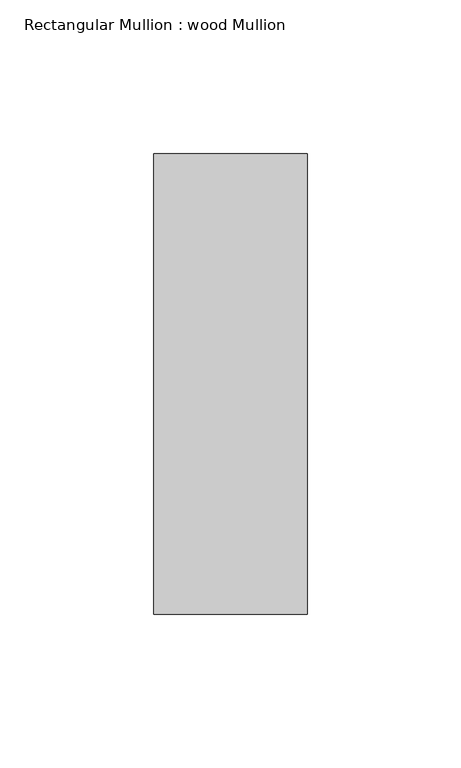
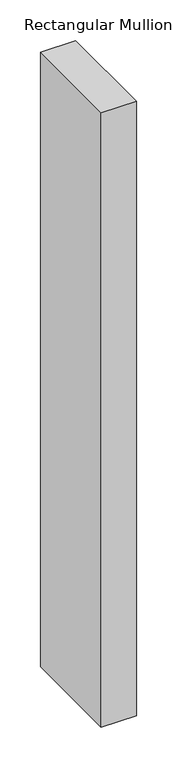
"""IFC4 building model written with IfcOpenShell, lengths in millimetres: member geometry, Rectangular Mullion : wood Mullion."""

from ifc_helpers import new_model, si_unit, frame, origin, place, context, project, spatial, polyline, outline, extrude, source, transform, mapped, element, save


def rectangular_mullion_wood_mullion_116cff39(model_context):
    return source(origin(), model_context, "Body", "SweptSolid", [
        extrude(outline(polyline([(25.0, 75.0), (25.0, -75.0), (-25.0, -75.0), (-25.0, 75.0), (25.0, 75.0)])), frame((0.0, 0.0, -925.0), z_axis=(0.0, 0.0, 1.0), x_axis=(1.0, 0.0, 0.0)), (0.0, 0.0, 1.0), 925.0),
    ])


if __name__ == "__main__":
    model = new_model("IFC4")
    model_context = context("Model", 3, world=origin())
    ifc_project = project(units=[si_unit("LENGTHUNIT", "METRE", prefix="MILLI")], contexts=[model_context])
    site = spatial("IfcSite", under=ifc_project)
    building = spatial("IfcBuilding", under=site)
    placement = place(None, origin())
    rectangular_mullion_wood_mullion_shape = rectangular_mullion_wood_mullion_116cff39(model_context)
    element("IfcMember", 1, ObjectType="Rectangular Mullion : wood Mullion", at=placement, inside=building, context=model_context, shape_type="MappedRepresentation", body=[
        mapped(rectangular_mullion_wood_mullion_shape, transform((0.0, 0.0, 0.0), x_axis=(1.0, 0.0, 0.0), y_axis=(0.0, 1.0, 0.0), z_axis=(0.0, 0.0, 1.0))),
    ])
    save(model, "model.ifc")
